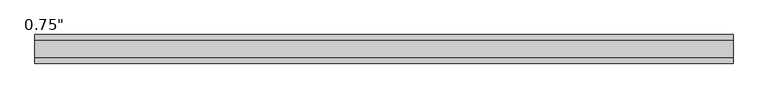
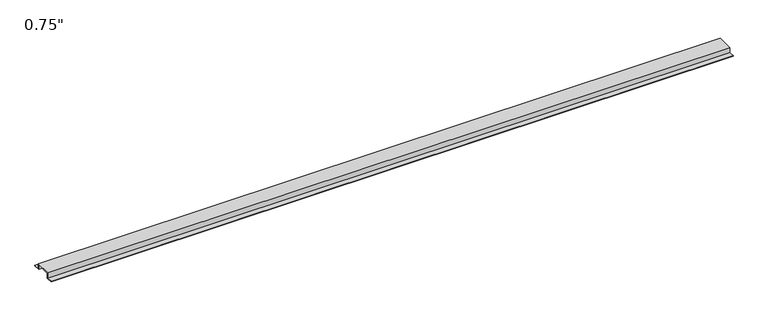
"""IFC4 building model written with IfcOpenShell, lengths in millimetres: proxy geometry."""

from ifc_helpers import new_model, si_unit, frame, origin, place, context, project, spatial, polyline, outline, extrude, source, transform, mapped, element, save


def proxy_26aa2d25(model_context):
    return source(origin(), model_context, "Body", "SweptSolid", [
        extrude(outline(polyline([(46.0559645, -17.4625), (25.4, -17.4625), (25.4, 0.0), (-25.4, 0.0), (-25.4, -17.4625), (-46.0559645, -17.4625), (-46.0559645, -15.8492), (-27.0129, -15.8492), (-27.0129, 1.6129), (27.0129, 1.6129), (27.0129, -15.8492), (46.0559645, -15.8492), (46.0559645, -17.4625)])), frame((0.0, 0.0, 0.0), z_axis=(1.0, 0.0, 0.0), x_axis=(0.0, 1.0, 0.0)), (0.0, 0.0, 1.0), 2246.3161067),
    ])


if __name__ == "__main__":
    model = new_model("IFC4")
    model_context = context("Model", 3, world=origin())
    ifc_project = project(units=[si_unit("LENGTHUNIT", "METRE", prefix="MILLI")], contexts=[model_context])
    site = spatial("IfcSite", under=ifc_project)
    building = spatial("IfcBuilding", under=site)
    placement = place(None, origin())
    proxy_shape = proxy_26aa2d25(model_context)
    element("IfcBuildingElementProxy", 1, Name="0.75\"", ObjectType="0.75\"", at=placement, inside=building, context=model_context, shape_type="MappedRepresentation", body=[
        mapped(proxy_shape, transform((0.0, 0.0, 0.0), x_axis=(1.0, 0.0, 0.0), y_axis=(0.0, 1.0, 0.0), z_axis=(0.0, 0.0, 1.0))),
    ])
    save(model, "model.ifc")
